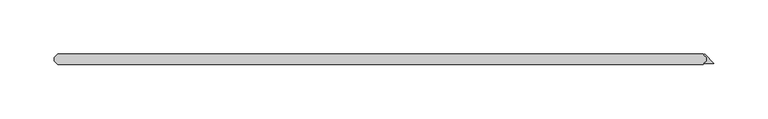
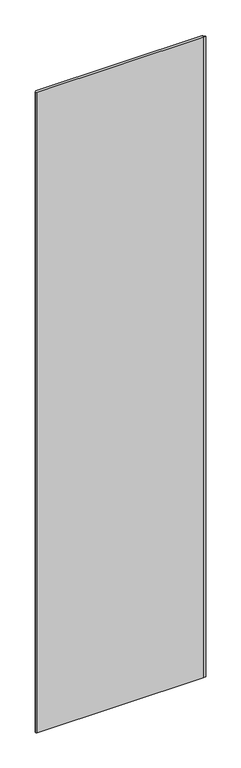
"""IFC4 building model written with IfcOpenShell, lengths in millimetres: plate geometry."""

from ifc_helpers import new_model, si_unit, origin, origin_with_axes, place, context, project, spatial, polyline, outline, extrude, source, transform, mapped, element, save


def plate_a185c736(model_context):
    return source(origin(), model_context, "Body", "SweptSolid", [
        extrude(outline(polyline([(284.230593, 28.575), (284.230593, 31.75), (281.849343, 34.13125), (282.410609, 34.692516), (290.909375, 26.19375), (281.849343, 26.19375), (284.230593, 28.575)])), origin_with_axes(), (0.0, 0.0, 1.0), 2428.7789267),
        extrude(outline(polyline([(281.055593, 25.4), (-313.928125, 25.4), (-317.103125, 28.575), (-317.103125, 31.75), (-313.928125, 34.925), (281.055593, 34.925), (284.230593, 31.75), (284.230593, 28.575), (281.055593, 25.4)])), origin_with_axes(), (0.0, 0.0, 1.0), 2428.7789267),
    ])


if __name__ == "__main__":
    model = new_model("IFC4")
    model_context = context("Model", 3, world=origin())
    ifc_project = project(units=[si_unit("LENGTHUNIT", "METRE", prefix="MILLI")], contexts=[model_context])
    site = spatial("IfcSite", under=ifc_project)
    building = spatial("IfcBuilding", under=site)
    placement = place(None, origin())
    plate_shape = plate_a185c736(model_context)
    element("IfcPlate", 1, at=placement, inside=building, context=model_context, shape_type="MappedRepresentation", body=[
        mapped(plate_shape, transform((0.0, 0.0, 0.0), x_axis=(1.0, 0.0, 0.0), y_axis=(0.0, 1.0, 0.0), z_axis=(0.0, 0.0, 1.0))),
    ])
    save(model, "model.ifc")
